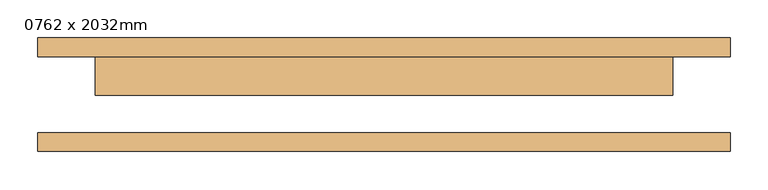
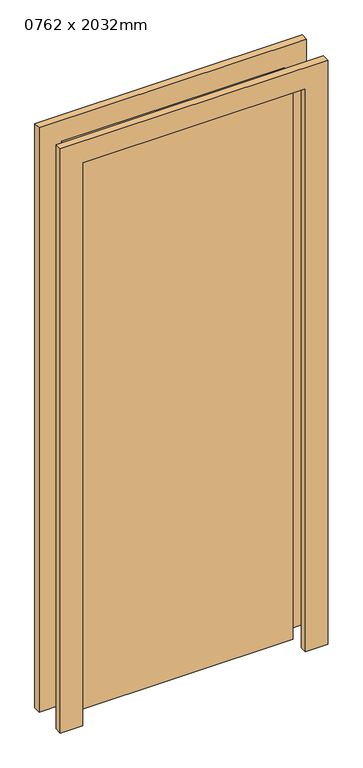
"""IFC4 building model written with IfcOpenShell, lengths in millimetres: door geometry, 0762 x 2032mm."""

from ifc_helpers import new_model, si_unit, frame, origin, origin_with_axes, place, context, project, spatial, polyline, outline, extrude, source, transform, mapped, element, save


def door_0762_x_2032mm_6732b1f7(model_context):
    return source(origin(), model_context, "Body", "SweptSolid", [
        extrude(outline(polyline([(2108.0, -457.0), (0.0, -457.0), (0.0, -381.0), (2032.0, -381.0), (2032.0, 381.0), (0.0, 381.0), (0.0, 457.0), (2108.0, 457.0), (2108.0, -457.0)])), frame((0.0, 50.0, 0.0), z_axis=(0.0, 1.0, 0.0), x_axis=(0.0, 0.0, 1.0)), (0.0, 0.0, 1.0), 25.0),
        extrude(outline(polyline([(2108.0, 457.0), (2108.0, -457.0), (0.0, -457.0), (0.0, -381.0), (2032.0, -381.0), (2032.0, 381.0), (0.0, 381.0), (0.0, 457.0), (2108.0, 457.0)])), frame((0.0, -75.0, 0.0), z_axis=(0.0, 1.0, 0.0), x_axis=(0.0, 0.0, 1.0)), (0.0, 0.0, 1.0), 25.0),
        extrude(outline(polyline([(381.0, -1.0), (-381.0, -1.0), (-381.0, 50.0), (381.0, 50.0), (381.0, -1.0)])), origin_with_axes(), (0.0, 0.0, 1.0), 2032.0),
    ])


if __name__ == "__main__":
    model = new_model("IFC4")
    model_context = context("Model", 3, world=origin())
    ifc_project = project(units=[si_unit("LENGTHUNIT", "METRE", prefix="MILLI")], contexts=[model_context])
    site = spatial("IfcSite", under=ifc_project)
    building = spatial("IfcBuilding", under=site)
    placement = place(None, origin())
    door_0762_x_2032mm_shape = door_0762_x_2032mm_6732b1f7(model_context)
    element("IfcDoor", 1, ObjectType="0762 x 2032mm", at=placement, inside=building, context=model_context, shape_type="MappedRepresentation", body=[
        mapped(door_0762_x_2032mm_shape, transform((0.0, 0.0, 0.0), x_axis=(1.0, 0.0, 0.0), y_axis=(0.0, 1.0, 0.0), z_axis=(0.0, 0.0, 1.0))),
    ])
    save(model, "model.ifc")
